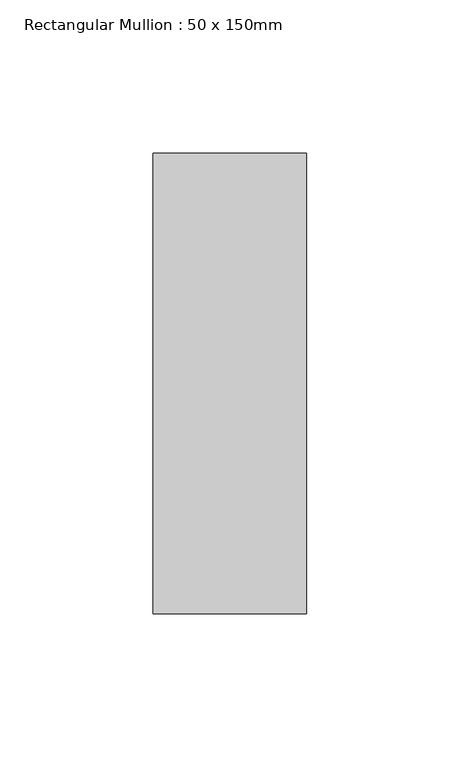
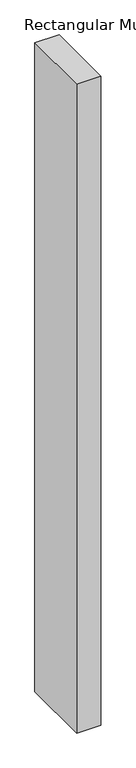
"""IFC4 building model written with IfcOpenShell, lengths in millimetres: member geometry, Rectangular Mullion : 50 x 150mm."""

import ifcopenshell
import ifcopenshell.guid

model = None  # the IFC model being written
_history = None  # IfcOwnerHistory: only IFC2X3 demands one
_inside = {}  # id of a spatial element -> (the spatial element, [elements in it])
_under = {}  # id of a project, library or spatial element -> (it, [spatial elements below it])
_declared = {}  # id of a project -> (the project, [libraries it declares])
_typed = {}  # id of a type object -> (the type object, [elements of that type])
_made_of = {}  # id of a material, layer set ... -> (it, [elements and type objects made of it])


def new_model(schema):
    """Start an empty IFC model of exactly this schema.

    Asked for "IFC4X3", IfcOpenShell would pick the latest addendum, in which some entities
    have other attributes; the version numbers below select the first issue.
    IFC2X3 requires an IfcOwnerHistory on every rooted entity: one is made here for all.
    """
    global model, _history
    if schema == "IFC4X3":
        model = ifcopenshell.file(schema_version=(4, 3, 0, 0))
    else:
        model = ifcopenshell.file(schema=schema)
    _inside.clear()
    _under.clear()
    _declared.clear()
    _typed.clear()
    _made_of.clear()
    _history = None
    if model.schema == "IFC2X3":
        org = make("IfcOrganization", Name="unknown")
        user = make(
            "IfcPersonAndOrganization",
            ThePerson=make("IfcPerson", FamilyName="unknown"),
            TheOrganization=org,
        )
        app = make(
            "IfcApplication",
            ApplicationDeveloper=org,
            Version="unknown",
            ApplicationFullName="unknown",
            ApplicationIdentifier="unknown",
        )
        _history = make(
            "IfcOwnerHistory",
            OwningUser=user,
            OwningApplication=app,
            ChangeAction="ADDED",
            CreationDate=0,
        )
    return model


def make(cls, **values):
    """One entity of the class cls with the attributes given. An attribute that is None is left unset."""
    return model.create_entity(
        cls, **{name: value for name, value in values.items() if value is not None}
    )


def rooted(cls, **values):
    """An entity with a GlobalId (a new one), such as an element, a storey or a relation."""
    return make(cls, GlobalId=ifcopenshell.guid.new(), OwnerHistory=_history, **values)


def si_unit(unit_type, name, prefix=None):
    """IfcSIUnit, for example si_unit("LENGTHUNIT", "METRE", prefix="MILLI")."""
    return make("IfcSIUnit", UnitType=unit_type, Prefix=prefix, Name=name)


def assignment(units):
    """IfcUnitAssignment: the units of a project."""
    return None if units is None else make("IfcUnitAssignment", Units=units)


def point(xyz):
    """IfcCartesianPoint."""
    return None if xyz is None else make("IfcCartesianPoint", Coordinates=xyz)


def direction(xyz):
    """IfcDirection."""
    return None if xyz is None else make("IfcDirection", DirectionRatios=xyz)


def frame(location, z_axis=None, x_axis=None):
    """IfcAxis2Placement3D, a coordinate frame: its origin and axes. An axis left out is left unset."""
    return make(
        "IfcAxis2Placement3D",
        Location=point(location),
        Axis=direction(z_axis),
        RefDirection=direction(x_axis),
    )


def origin():
    """The frame at (0, 0, 0) with its axes left unset."""
    return frame((0.0, 0.0, 0.0))


def place(relative_to, where):
    """IfcLocalPlacement: puts the frame where relative to a parent placement (None: the world)."""
    return make(
        "IfcLocalPlacement", PlacementRelTo=relative_to, RelativePlacement=where
    )


def context(
    kind, dimensions, precision=None, world=None, true_north=None, identifier=None
):
    """IfcGeometricRepresentationContext, for example the 3D "Model" context."""
    return make(
        "IfcGeometricRepresentationContext",
        ContextIdentifier=identifier,
        ContextType=kind,
        CoordinateSpaceDimension=dimensions,
        Precision=precision,
        WorldCoordinateSystem=world,
        TrueNorth=true_north,
    )


def project(units=None, contexts=None):
    """IfcProject with its units and contexts."""
    return rooted(
        "IfcProject",
        Name="project",
        RepresentationContexts=contexts,
        UnitsInContext=assignment(units),
    )


def spatial(cls, under=None, at=None, **own):
    """A site, building, storey or space (cls), placed at a placement, below another one or the project."""
    s = rooted(cls, ObjectPlacement=at, **own)
    if under is not None:
        _under.setdefault(under.id(), (under, []))[1].append(s)
    return s


def polyline(points):
    """IfcPolyline through the points."""
    return make("IfcPolyline", Points=[point(p) for p in points])


def outline(outer, holes=None, kind="AREA"):
    """IfcArbitraryClosedProfileDef: a profile drawn as a closed curve; with holes, ...WithVoids."""
    if holes is None:
        return make("IfcArbitraryClosedProfileDef", ProfileType=kind, OuterCurve=outer)
    return make(
        "IfcArbitraryProfileDefWithVoids",
        ProfileType=kind,
        OuterCurve=outer,
        InnerCurves=holes,
    )


def extrude(swept, where, along, depth):
    """IfcExtrudedAreaSolid: the profile swept, set in the frame where, extruded along a direction by depth."""
    return make(
        "IfcExtrudedAreaSolid",
        SweptArea=swept,
        Position=where,
        ExtrudedDirection=direction(along),
        Depth=depth,
    )


def shape(context_of_items, identifier, shape_type, items):
    """IfcShapeRepresentation: the items that make up one representation, for example the "Body"."""
    return make(
        "IfcShapeRepresentation",
        ContextOfItems=context_of_items,
        RepresentationIdentifier=identifier,
        RepresentationType=shape_type,
        Items=items,
    )


def source(mapping_origin, context_of_items, identifier, shape_type, items):
    """IfcRepresentationMap: a shape defined once, which mapped items show again and again."""
    return make(
        "IfcRepresentationMap",
        MappingOrigin=mapping_origin,
        MappedRepresentation=shape(context_of_items, identifier, shape_type, items),
    )


def transform(
    local_origin,
    x_axis=None,
    y_axis=None,
    z_axis=None,
    scale=None,
    scale2=None,
    scale3=None,
    uniform=True,
):
    """IfcCartesianTransformationOperator3D, or its non-uniform kind. x_axis, y_axis, z_axis: its Axis1, 2, 3."""
    if uniform:
        return make(
            "IfcCartesianTransformationOperator3D",
            Axis1=direction(x_axis),
            Axis2=direction(y_axis),
            LocalOrigin=point(local_origin),
            Scale=scale,
            Axis3=direction(z_axis),
        )
    return make(
        "IfcCartesianTransformationOperator3DnonUniform",
        Axis1=direction(x_axis),
        Axis2=direction(y_axis),
        LocalOrigin=point(local_origin),
        Scale=scale,
        Axis3=direction(z_axis),
        Scale2=scale2,
        Scale3=scale3,
    )


def mapped(mapping_source, mapping_target):
    """IfcMappedItem: shows the shape of a source again, moved by a transform."""
    return make(
        "IfcMappedItem", MappingSource=mapping_source, MappingTarget=mapping_target
    )


def made_of(thing, what):
    """Note that an element or type object is made of a material, layer set ...; save() writes the relation."""
    if what is not None:
        _made_of.setdefault(what.id(), (what, []))[1].append(thing)
    return thing


def element(
    cls,
    number,
    at=None,
    inside=None,
    cuts=None,
    type_object=None,
    material=None,
    context=None,
    identifier="Body",
    shape_type=None,
    held_by="IfcProductDefinitionShape",
    body=None,
    shapes=None,
    **own,
):
    """One element of the class cls, such as IfcWall. Its Tag is "e" and its number.

    at: its placement. inside: the storey or other place that contains it. cuts: it is an
    opening in that element (IfcRelVoidsElement). A single representation is given by context,
    identifier, shape_type and body (its items); several are given by shapes. held_by: the class
    of the entity that holds the representations. save() writes the other relations.
    """
    e = rooted(cls, Tag="e%d" % number, ObjectPlacement=at, **own)
    if body is not None:
        shapes = [shape(context, identifier, shape_type, body)]
    if shapes is not None:
        e.Representation = make(held_by, Representations=shapes)
    if inside is not None:
        _inside.setdefault(inside.id(), (inside, []))[1].append(e)
    if cuts is not None:
        rooted(
            "IfcRelVoidsElement", RelatingBuildingElement=cuts, RelatedOpeningElement=e
        )
    if type_object is not None:
        _typed.setdefault(type_object.id(), (type_object, []))[1].append(e)
    return made_of(e, material)


def aggregate(whole, parts):
    """IfcRelAggregates: a whole, such as a stair, and the parts it consists of."""
    return rooted("IfcRelAggregates", RelatingObject=whole, RelatedObjects=parts)


def save(model, path):
    """Write the relations noted so far, then the file.

    IfcRelAggregates (storeys below a building ...), IfcRelContainedInSpatialStructure (elements
    in a storey), IfcRelDefinesByType, IfcRelAssociatesMaterial and IfcRelDeclares: one each for
    every whole, place, type object, material and project.
    """
    for whole, parts in _under.values():
        aggregate(whole, parts)
    for where, things in _inside.values():
        rooted(
            "IfcRelContainedInSpatialStructure",
            RelatedElements=things,
            RelatingStructure=where,
        )
    for kind, things in _typed.values():
        rooted("IfcRelDefinesByType", RelatedObjects=things, RelatingType=kind)
    for what, things in _made_of.values():
        rooted("IfcRelAssociatesMaterial", RelatedObjects=things, RelatingMaterial=what)
    for by, libraries in _declared.values():
        rooted("IfcRelDeclares", RelatingContext=by, RelatedDefinitions=libraries)
    model.write(path)


def rectangular_mullion_50_x_150mm_b7dbb866(model_context):
    return source(origin(), model_context, "Body", "SweptSolid", [
        extrude(outline(polyline([(0.0, 75.0), (0.0, -75.0), (-50.0, -75.0), (-50.0, 75.0), (0.0, 75.0)])), frame((0.0, 0.0, -1420.0), z_axis=(0.0, 0.0, 1.0), x_axis=(1.0, 0.0, 0.0)), (0.0, 0.0, 1.0), 1420.0),
    ])


if __name__ == "__main__":
    model = new_model("IFC4")
    model_context = context("Model", 3, world=origin())
    ifc_project = project(units=[si_unit("LENGTHUNIT", "METRE", prefix="MILLI")], contexts=[model_context])
    site = spatial("IfcSite", under=ifc_project)
    building = spatial("IfcBuilding", under=site)
    placement = place(None, origin())
    rectangular_mullion_50_x_150mm_shape = rectangular_mullion_50_x_150mm_b7dbb866(model_context)
    element("IfcMember", 1, ObjectType="Rectangular Mullion : 50 x 150mm", at=placement, inside=building, context=model_context, shape_type="MappedRepresentation", body=[
        mapped(rectangular_mullion_50_x_150mm_shape, transform((0.0, 0.0, 0.0), x_axis=(1.0, 0.0, 0.0), y_axis=(0.0, 1.0, 0.0), z_axis=(0.0, 0.0, 1.0))),
    ])
    save(model, "model.ifc")
